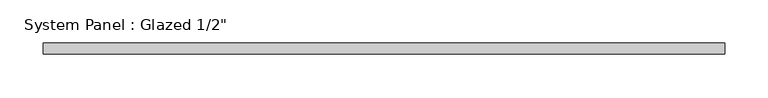
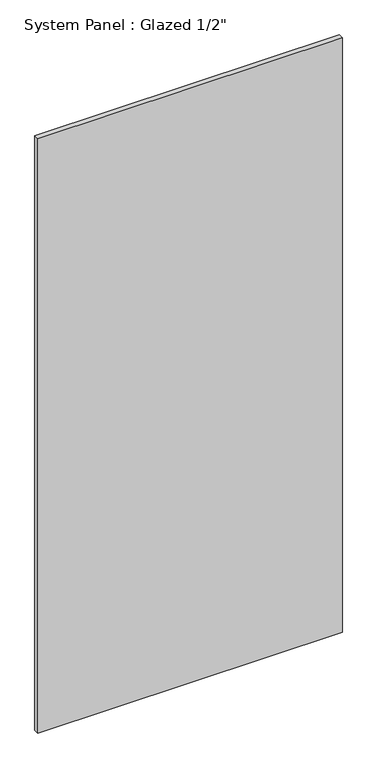
"""IFC4 building model written with IfcOpenShell, lengths in millimetres: plate geometry."""

from ifc_helpers import new_model, si_unit, origin, origin_with_axes, place, context, project, spatial, polyline, outline, extrude, source, transform, mapped, element, save


def plate_fd9c9e13(model_context):
    return source(origin(), model_context, "Body", "SweptSolid", [
        extrude(outline(polyline([(392.6416667, -6.35), (-392.6416667, -6.35), (-392.6416667, 6.35), (392.6416667, 6.35), (392.6416667, -6.35)])), origin_with_axes(), (0.0, 0.0, 1.0), 1619.25),
    ])


if __name__ == "__main__":
    model = new_model("IFC4")
    model_context = context("Model", 3, world=origin())
    ifc_project = project(units=[si_unit("LENGTHUNIT", "METRE", prefix="MILLI")], contexts=[model_context])
    site = spatial("IfcSite", under=ifc_project)
    building = spatial("IfcBuilding", under=site)
    placement = place(None, origin())
    plate_shape = plate_fd9c9e13(model_context)
    element("IfcPlate", 1, ObjectType="System Panel : Glazed 1/2\"", at=placement, inside=building, context=model_context, shape_type="MappedRepresentation", body=[
        mapped(plate_shape, transform((0.0, 0.0, 0.0), x_axis=(1.0, 0.0, 0.0), y_axis=(0.0, 1.0, 0.0), z_axis=(0.0, 0.0, 1.0))),
    ])
    save(model, "model.ifc")
